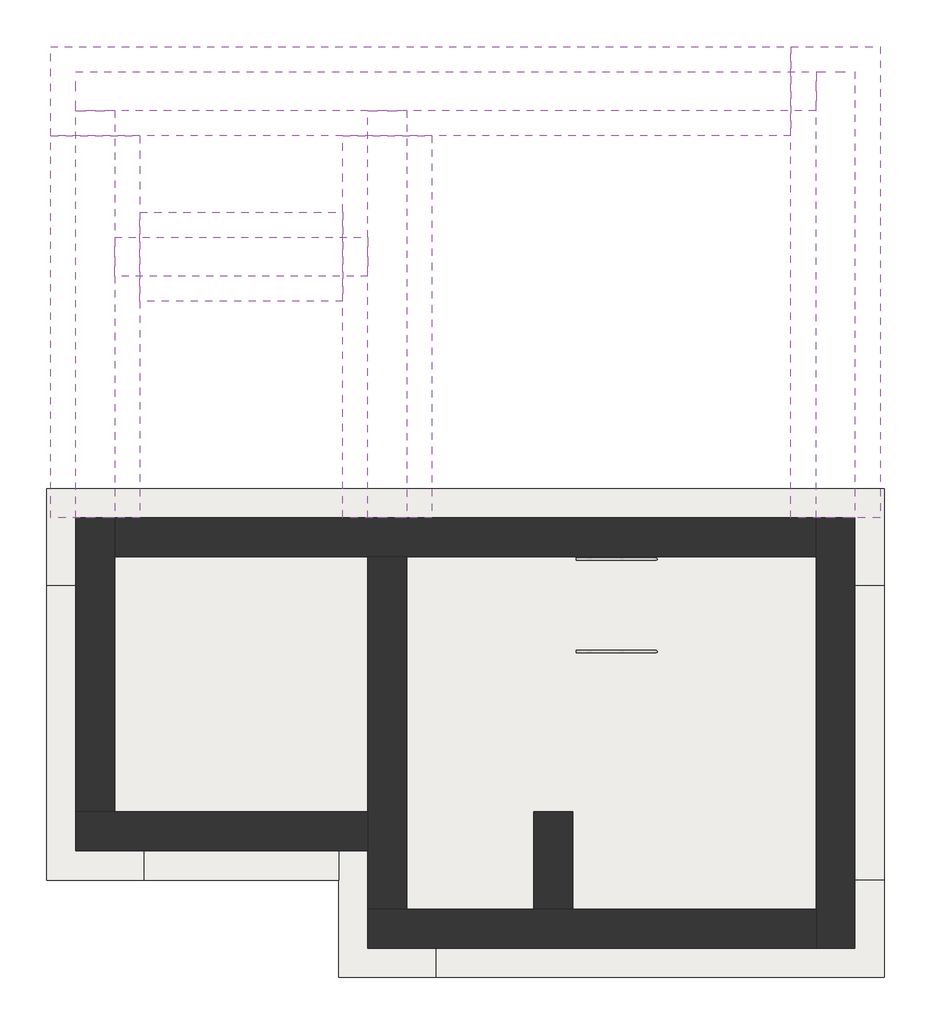
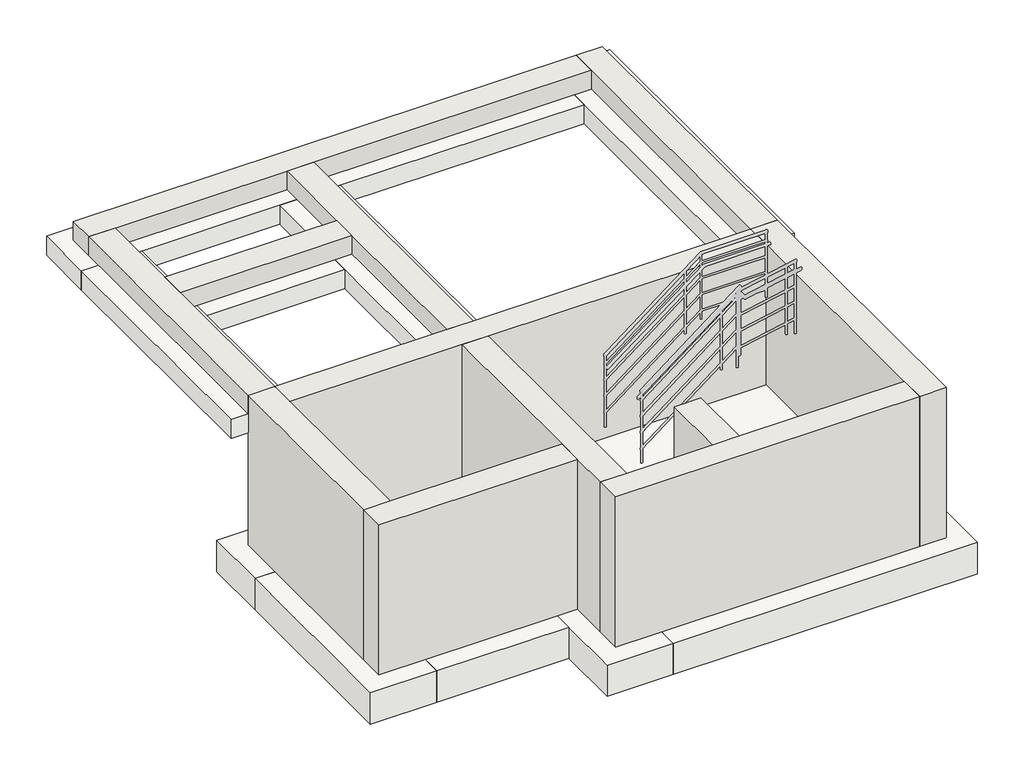
# One storey, part 1 of 2: 12 footings, 12 walls, 1 slab.
"""IFC4 building model written with IfcOpenShell, lengths in millimetres."""

import ifcopenshell
import ifcopenshell.guid

model = None  # the IFC model being written
_history = None  # IfcOwnerHistory: only IFC2X3 demands one
_inside = {}  # id of a spatial element -> (the spatial element, [elements in it])
_under = {}  # id of a project, library or spatial element -> (it, [spatial elements below it])
_declared = {}  # id of a project -> (the project, [libraries it declares])
_typed = {}  # id of a type object -> (the type object, [elements of that type])
_made_of = {}  # id of a material, layer set ... -> (it, [elements and type objects made of it])


def new_model(schema):
    """Start an empty IFC model of exactly this schema.

    Asked for "IFC4X3", IfcOpenShell would pick the latest addendum, in which some entities
    have other attributes; the version numbers below select the first issue.
    IFC2X3 requires an IfcOwnerHistory on every rooted entity: one is made here for all.
    """
    global model, _history
    if schema == "IFC4X3":
        model = ifcopenshell.file(schema_version=(4, 3, 0, 0))
    else:
        model = ifcopenshell.file(schema=schema)
    _inside.clear()
    _under.clear()
    _declared.clear()
    _typed.clear()
    _made_of.clear()
    _history = None
    if model.schema == "IFC2X3":
        org = make("IfcOrganization", Name="unknown")
        user = make(
            "IfcPersonAndOrganization",
            ThePerson=make("IfcPerson", FamilyName="unknown"),
            TheOrganization=org,
        )
        app = make(
            "IfcApplication",
            ApplicationDeveloper=org,
            Version="unknown",
            ApplicationFullName="unknown",
            ApplicationIdentifier="unknown",
        )
        _history = make(
            "IfcOwnerHistory",
            OwningUser=user,
            OwningApplication=app,
            ChangeAction="ADDED",
            CreationDate=0,
        )
    return model


def make(cls, **values):
    """One entity of the class cls with the attributes given. An attribute that is None is left unset."""
    return model.create_entity(
        cls, **{name: value for name, value in values.items() if value is not None}
    )


def rooted(cls, **values):
    """An entity with a GlobalId (a new one), such as an element, a storey or a relation."""
    return make(cls, GlobalId=ifcopenshell.guid.new(), OwnerHistory=_history, **values)


def si_unit(unit_type, name, prefix=None):
    """IfcSIUnit, for example si_unit("LENGTHUNIT", "METRE", prefix="MILLI")."""
    return make("IfcSIUnit", UnitType=unit_type, Prefix=prefix, Name=name)


def assignment(units):
    """IfcUnitAssignment: the units of a project."""
    return None if units is None else make("IfcUnitAssignment", Units=units)


def point(xyz):
    """IfcCartesianPoint."""
    return None if xyz is None else make("IfcCartesianPoint", Coordinates=xyz)


def direction(xyz):
    """IfcDirection."""
    return None if xyz is None else make("IfcDirection", DirectionRatios=xyz)


def frame(location, z_axis=None, x_axis=None):
    """IfcAxis2Placement3D, a coordinate frame: its origin and axes. An axis left out is left unset."""
    return make(
        "IfcAxis2Placement3D",
        Location=point(location),
        Axis=direction(z_axis),
        RefDirection=direction(x_axis),
    )


def origin():
    """The frame at (0, 0, 0) with its axes left unset."""
    return frame((0.0, 0.0, 0.0))


def place(relative_to, where):
    """IfcLocalPlacement: puts the frame where relative to a parent placement (None: the world)."""
    return make(
        "IfcLocalPlacement", PlacementRelTo=relative_to, RelativePlacement=where
    )


def context(
    kind, dimensions, precision=None, world=None, true_north=None, identifier=None
):
    """IfcGeometricRepresentationContext, for example the 3D "Model" context."""
    return make(
        "IfcGeometricRepresentationContext",
        ContextIdentifier=identifier,
        ContextType=kind,
        CoordinateSpaceDimension=dimensions,
        Precision=precision,
        WorldCoordinateSystem=world,
        TrueNorth=true_north,
    )


def project(units=None, contexts=None):
    """IfcProject with its units and contexts."""
    return rooted(
        "IfcProject",
        Name="project",
        RepresentationContexts=contexts,
        UnitsInContext=assignment(units),
    )


def spatial(cls, under=None, at=None, **own):
    """A site, building, storey or space (cls), placed at a placement, below another one or the project."""
    s = rooted(cls, ObjectPlacement=at, **own)
    if under is not None:
        _under.setdefault(under.id(), (under, []))[1].append(s)
    return s


def polyline(points):
    """IfcPolyline through the points."""
    return make("IfcPolyline", Points=[point(p) for p in points])


def outline(outer, holes=None, kind="AREA"):
    """IfcArbitraryClosedProfileDef: a profile drawn as a closed curve; with holes, ...WithVoids."""
    if holes is None:
        return make("IfcArbitraryClosedProfileDef", ProfileType=kind, OuterCurve=outer)
    return make(
        "IfcArbitraryProfileDefWithVoids",
        ProfileType=kind,
        OuterCurve=outer,
        InnerCurves=holes,
    )


def extrude(swept, where, along, depth):
    """IfcExtrudedAreaSolid: the profile swept, set in the frame where, extruded along a direction by depth."""
    return make(
        "IfcExtrudedAreaSolid",
        SweptArea=swept,
        Position=where,
        ExtrudedDirection=direction(along),
        Depth=depth,
    )


def faces_of(points, faces, orient=None, outer=None):
    """IfcFace entities. A face is a list of loops; a loop is a list of indices into points, from 0.

    orient and outer hold one flag for each loop. By default every Orientation is true, the
    first loop of a face is its IfcFaceOuterBound and the others are IfcFaceBound.
    """
    made = []
    for i, loops in enumerate(faces):
        bounds = []
        for j, loop in enumerate(loops):
            is_outer = j == 0 if outer is None else outer[i][j]
            bounds.append(
                make(
                    "IfcFaceOuterBound" if is_outer else "IfcFaceBound",
                    Bound=make("IfcPolyLoop", Polygon=[points[k] for k in loop]),
                    Orientation=True if orient is None else orient[i][j],
                )
            )
        made.append(make("IfcFace", Bounds=bounds))
    return made


def faceted_brep(points, faces, orient=None, outer=None, voids=None):
    """IfcFacetedBrep: a solid bounded by flat faces; with voids (closed shells), ...WithVoids."""
    shared = [point(p) for p in points]
    hull = make("IfcClosedShell", CfsFaces=faces_of(shared, faces, orient, outer))
    if voids is None:
        return make("IfcFacetedBrep", Outer=hull)
    return make(
        "IfcFacetedBrepWithVoids",
        Outer=hull,
        Voids=[
            make(cls, CfsFaces=faces_of(shared, fs, o, b)) for cls, fs, o, b in voids
        ],
    )


def shape(context_of_items, identifier, shape_type, items):
    """IfcShapeRepresentation: the items that make up one representation, for example the "Body"."""
    return make(
        "IfcShapeRepresentation",
        ContextOfItems=context_of_items,
        RepresentationIdentifier=identifier,
        RepresentationType=shape_type,
        Items=items,
    )


def made_of(thing, what):
    """Note that an element or type object is made of a material, layer set ...; save() writes the relation."""
    if what is not None:
        _made_of.setdefault(what.id(), (what, []))[1].append(thing)
    return thing


def element(
    cls,
    number,
    at=None,
    inside=None,
    cuts=None,
    type_object=None,
    material=None,
    context=None,
    identifier="Body",
    shape_type=None,
    held_by="IfcProductDefinitionShape",
    body=None,
    shapes=None,
    **own,
):
    """One element of the class cls, such as IfcWall. Its Tag is "e" and its number.

    at: its placement. inside: the storey or other place that contains it. cuts: it is an
    opening in that element (IfcRelVoidsElement). A single representation is given by context,
    identifier, shape_type and body (its items); several are given by shapes. held_by: the class
    of the entity that holds the representations. save() writes the other relations.
    """
    e = rooted(cls, Tag="e%d" % number, ObjectPlacement=at, **own)
    if body is not None:
        shapes = [shape(context, identifier, shape_type, body)]
    if shapes is not None:
        e.Representation = make(held_by, Representations=shapes)
    if inside is not None:
        _inside.setdefault(inside.id(), (inside, []))[1].append(e)
    if cuts is not None:
        rooted(
            "IfcRelVoidsElement", RelatingBuildingElement=cuts, RelatedOpeningElement=e
        )
    if type_object is not None:
        _typed.setdefault(type_object.id(), (type_object, []))[1].append(e)
    return made_of(e, material)


def aggregate(whole, parts):
    """IfcRelAggregates: a whole, such as a stair, and the parts it consists of."""
    return rooted("IfcRelAggregates", RelatingObject=whole, RelatedObjects=parts)


def save(model, path):
    """Write the relations noted so far, then the file.

    IfcRelAggregates (storeys below a building ...), IfcRelContainedInSpatialStructure (elements
    in a storey), IfcRelDefinesByType, IfcRelAssociatesMaterial and IfcRelDeclares: one each for
    every whole, place, type object, material and project.
    """
    for whole, parts in _under.values():
        aggregate(whole, parts)
    for where, things in _inside.values():
        rooted(
            "IfcRelContainedInSpatialStructure",
            RelatedElements=things,
            RelatingStructure=where,
        )
    for kind, things in _typed.values():
        rooted("IfcRelDefinesByType", RelatedObjects=things, RelatingType=kind)
    for what, things in _made_of.values():
        rooted("IfcRelAssociatesMaterial", RelatedObjects=things, RelatingMaterial=what)
    for by, libraries in _declared.values():
        rooted("IfcRelDeclares", RelatingContext=by, RelatedDefinitions=libraries)
    model.write(path)


model = new_model("IFC4")

# Units and contexts
model_context = context("Model", 3, world=origin())
ifc_project = project(units=[si_unit("LENGTHUNIT", "METRE", prefix="MILLI")], contexts=[model_context])

# Site, building, storey
site = spatial("IfcSite", under=ifc_project)
building = spatial("IfcBuilding", under=site)
storey = spatial("IfcBuildingStorey", under=building, Elevation=-2400.0)

# Footings
placement = place(None, origin())
element("IfcFooting", 1, at=placement, inside=storey, context=model_context, shape_type="Brep", body=[
    faceted_brep([(-6883.694566, 1245.0965613, -2400.0), (-5883.694566, 1245.0965613, -2400.0), (-3883.694566, 1245.0965613, -2400.0), (-2883.694566, 1245.0965613, -2400.0), (716.305434, 1245.0965613, -2400.0), (1716.305434, 1245.0965613, -2400.0), (1716.305434, 2245.0965613, -2400.0), (-6883.694566, 2245.0965613, -2400.0), (-6883.694566, 2245.0965613, -2900.0), (1716.305434, 2245.0965613, -2900.0), (-6883.694566, 1245.0965613, -2900.0), (1716.305434, 1245.0965613, -2900.0), (716.305434, 1245.0965613, -2900.0), (-2883.694566, 1245.0965613, -2900.0), (-3883.694566, 1245.0965613, -2900.0), (-5883.694566, 1245.0965613, -2900.0)], [[[0, 1, 2, 3, 4, 5, 6, 7]], [[8, 7, 6, 9]], [[10, 8, 9, 11, 12, 13, 14, 15]], [[0, 10, 15, 14, 13, 12, 11, 5, 4, 3, 2, 1]], [[0, 7, 8, 10]], [[6, 5, 11, 9]]]),
])
element("IfcFooting", 2, at=placement, inside=storey, context=model_context, shape_type="Brep", body=[
    faceted_brep([(-6883.694566, -1774.9034387, -2400.0), (-5883.694566, -1774.9034387, -2400.0), (-5883.694566, -774.9034387, -2400.0), (-5883.694566, 1245.0965613, -2400.0), (-6883.694566, 1245.0965613, -2400.0), (-6883.694566, -1774.9034387, -2900.0), (-6883.694566, 1245.0965613, -2900.0), (-5883.694566, -1774.9034387, -2900.0), (-5883.694566, 1245.0965613, -2900.0), (-5883.694566, -774.9034387, -2900.0)], [[[0, 1, 2, 3, 4]], [[5, 0, 4, 6]], [[7, 5, 6, 8, 9]], [[1, 7, 9, 8, 3, 2]], [[4, 3, 8, 6]], [[1, 0, 5, 7]]]),
])
element("IfcFooting", 3, at=placement, inside=storey, context=model_context, shape_type="SweptSolid", body=[
    extrude(outline(polyline([(-3883.694566, -774.9034387), (-3883.694566, -1774.9034387), (-5883.694566, -1774.9034387), (-5883.694566, -774.9034387), (-3883.694566, -774.9034387)])), frame((0.0, 0.0, -2900.0), z_axis=(0.0, 0.0, 1.0), x_axis=(1.0, 0.0, 0.0)), (0.0, 0.0, 1.0), 500.0),
])
element("IfcFooting", 4, at=placement, inside=storey, context=model_context, shape_type="Brep", body=[
    faceted_brep([(-3883.694566, 1245.0965613, -2400.0), (-3883.694566, -774.9034387, -2400.0), (-3883.694566, -1774.9034387, -2400.0), (-3883.694566, -2774.9034387, -2400.0), (-2883.694566, -2774.9034387, -2400.0), (-2883.694566, -1774.9034387, -2400.0), (-2883.694566, 1245.0965613, -2400.0), (-2883.694566, 1245.0965613, -2900.0), (-2883.694566, -2774.9034387, -2900.0), (-2883.694566, -1774.9034387, -2900.0), (-3883.694566, 1245.0965613, -2900.0), (-3883.694566, -2774.9034387, -2900.0), (-3883.694566, -1774.9034387, -2900.0), (-3883.694566, -774.9034387, -2900.0)], [[[0, 1, 2, 3, 4, 5, 6]], [[7, 6, 5, 4, 8, 9]], [[10, 7, 9, 8, 11, 12, 13]], [[0, 10, 13, 12, 11, 3, 2, 1]], [[0, 6, 7, 10]], [[4, 3, 11, 8]]]),
])
element("IfcFooting", 5, at=placement, inside=storey, context=model_context, shape_type="Brep", body=[
    faceted_brep([(1716.305434, -2774.9034387, -2400.0), (1716.305434, -1774.9034387, -2400.0), (716.305434, -1774.9034387, -2400.0), (-1183.694566, -1774.9034387, -2400.0), (-2183.694566, -1774.9034387, -2400.0), (-2883.694566, -1774.9034387, -2400.0), (-2883.694566, -2774.9034387, -2400.0), (1716.305434, -2774.9034387, -2900.0), (-2883.694566, -2774.9034387, -2900.0), (1716.305434, -1774.9034387, -2900.0), (-2883.694566, -1774.9034387, -2900.0), (-2183.694566, -1774.9034387, -2900.0), (-1183.694566, -1774.9034387, -2900.0), (716.305434, -1774.9034387, -2900.0)], [[[0, 1, 2, 3, 4, 5, 6]], [[7, 0, 6, 8]], [[9, 7, 8, 10, 11, 12, 13]], [[1, 9, 13, 12, 11, 10, 5, 4, 3, 2]], [[1, 0, 7, 9]], [[6, 5, 10, 8]]]),
])
element("IfcFooting", 6, at=placement, inside=storey, context=model_context, shape_type="SweptSolid", body=[
    extrude(outline(polyline([(-1183.694566, -1774.9034387), (-2183.694566, -1774.9034387), (-2183.694566, -1074.9034387), (-1183.694566, -1074.9034387), (-1183.694566, -1774.9034387)])), frame((0.0, 0.0, -2900.0), z_axis=(0.0, 0.0, 1.0), x_axis=(1.0, 0.0, 0.0)), (0.0, 0.0, 1.0), 500.0),
])
element("IfcFooting", 7, at=placement, inside=storey, context=model_context, shape_type="SweptSolid", body=[
    extrude(outline(polyline([(716.305434, 1245.0965613), (1716.305434, 1245.0965613), (1716.305434, -1774.9034387), (716.305434, -1774.9034387), (716.305434, 1245.0965613)])), frame((0.0, 0.0, -2900.0), z_axis=(0.0, 0.0, 1.0), x_axis=(1.0, 0.0, 0.0)), (0.0, 0.0, 1.0), 500.0),
])
element("IfcFooting", 8, ObjectType="Bearing Footing - 36\" x 12\"", at=placement, inside=storey, context=model_context, shape_type="Brep", body=[
    faceted_brep([(1673.505434, 1945.0965613, -300.0), (759.105434, 1945.0965613, -300.0), (759.105434, 1945.0965613, -604.8), (1673.505434, 1945.0965613, -604.8), (1673.505434, 6782.2965613, -300.0), (759.105434, 6782.2965613, -300.0), (759.105434, 5867.8965613, -300.0), (759.105434, 6782.2965613, -604.8), (759.105434, 5867.8965613, -604.8), (1673.505434, 6782.2965613, -604.8)], [[[0, 1, 2, 3]], [[0, 4, 5, 6, 1]], [[2, 1, 6, 5, 7, 8]], [[3, 2, 8, 7, 9]], [[0, 3, 9, 4]], [[5, 4, 9, 7]]]),
])
element("IfcFooting", 9, ObjectType="Bearing Footing - 36\" x 12\"", at=placement, inside=storey, context=model_context, shape_type="Brep", body=[
    faceted_brep([(-6840.894566, 6782.2965613, -300.0), (-6840.894566, 5867.8965613, -300.0), (-5926.494566, 5867.8965613, -300.0), (-3840.894566, 5867.8965613, -300.0), (-2926.494566, 5867.8965613, -300.0), (759.105434, 5867.8965613, -300.0), (759.105434, 6782.2965613, -300.0), (-6840.894566, 5867.8965613, -604.8), (-5926.494566, 5867.8965613, -604.8), (-3840.894566, 5867.8965613, -604.8), (-2926.494566, 5867.8965613, -604.8), (759.105434, 5867.8965613, -604.8), (-6840.894566, 6782.2965613, -604.8), (759.105434, 6782.2965613, -604.8)], [[[0, 1, 2, 3, 4, 5, 6]], [[1, 7, 8, 9, 10, 11, 5, 4, 3, 2]], [[7, 12, 13, 11, 10, 9, 8]], [[12, 0, 6, 13]], [[1, 0, 12, 7]], [[6, 5, 11, 13]]]),
])
element("IfcFooting", 10, ObjectType="Bearing Footing - 36\" x 12\"", at=placement, inside=storey, context=model_context, shape_type="Brep", body=[
    faceted_brep([(-5926.494566, 1945.0965613, -604.8), (-5926.494566, 1945.0965613, -300.0), (-6840.894566, 1945.0965613, -300.0), (-6840.894566, 1945.0965613, -604.8), (-5926.494566, 4167.8965613, -300.0), (-5926.494566, 5082.2965613, -300.0), (-5926.494566, 5867.8965613, -300.0), (-6840.894566, 5867.8965613, -300.0), (-5926.494566, 4167.8965613, -604.8), (-5926.494566, 5082.2965613, -604.8), (-5926.494566, 5867.8965613, -604.8), (-6840.894566, 5867.8965613, -604.8)], [[[0, 1, 2, 3]], [[2, 1, 4, 5, 6, 7]], [[1, 0, 8, 9, 10, 6, 5, 4]], [[0, 3, 11, 10, 9, 8]], [[3, 2, 7, 11]], [[7, 6, 10, 11]]]),
])
element("IfcFooting", 11, ObjectType="Bearing Footing - 36\" x 12\"", at=placement, inside=storey, context=model_context, shape_type="Brep", body=[
    faceted_brep([(-2926.494566, 1945.0965613, -604.8), (-2926.494566, 1945.0965613, -300.0), (-3840.894566, 1945.0965613, -300.0), (-3840.894566, 1945.0965613, -604.8), (-2926.494566, 5867.8965613, -300.0), (-3840.894566, 5867.8965613, -300.0), (-3840.894566, 5082.2965613, -300.0), (-3840.894566, 4167.8965613, -300.0), (-2926.494566, 5867.8965613, -604.8), (-3840.894566, 4167.8965613, -604.8), (-3840.894566, 5082.2965613, -604.8), (-3840.894566, 5867.8965613, -604.8)], [[[0, 1, 2, 3]], [[2, 1, 4, 5, 6, 7]], [[1, 0, 8, 4]], [[0, 3, 9, 10, 11, 8]], [[3, 2, 7, 6, 5, 11, 10, 9]], [[5, 4, 8, 11]]]),
])
element("IfcFooting", 12, ObjectType="Bearing Footing - 36\" x 12\"", at=placement, inside=storey, context=model_context, shape_type="SweptSolid", body=[
    extrude(outline(polyline([(-3840.894566, 5082.2965613), (-3840.894566, 4167.8965613), (-5926.494566, 4167.8965613), (-5926.494566, 5082.2965613), (-3840.894566, 5082.2965613)])), frame((0.0, 0.0, -604.8), z_axis=(0.0, 0.0, 1.0), x_axis=(1.0, 0.0, 0.0)), (0.0, 0.0, 1.0), 304.8),
])

# Slab
element("IfcSlab", 13, at=placement, inside=storey, context=model_context, shape_type="SweptSolid", body=[
    extrude(outline(polyline([(-3583.694566, 1545.0965613), (-3583.694566, -1074.9034387), (-6183.694566, -1074.9034387), (-6183.694566, 1545.0965613), (-3583.694566, 1545.0965613)])), frame((0.0, 0.0, -2400.0), z_axis=(0.0, 0.0, 1.0), x_axis=(1.0, 0.0, 0.0)), (0.0, 0.0, 1.0), 150.0),
    extrude(outline(polyline([(1016.305434, 1545.0965613), (1016.305434, -2074.9034387), (-1483.694566, -2074.9034387), (-1483.694566, -1074.9034387), (-1883.694566, -1074.9034387), (-1883.694566, -2074.9034387), (-3183.694566, -2074.9034387), (-3183.694566, 1545.0965613), (1016.305434, 1545.0965613)])), frame((0.0, 0.0, -2400.0), z_axis=(0.0, 0.0, 1.0), x_axis=(1.0, 0.0, 0.0)), (0.0, 0.0, 1.0), 150.0),
])

# Walls
element("IfcWall", 14, at=placement, inside=storey, context=model_context, shape_type="Brep", body=[
    faceted_brep([(1016.305434, 1945.0965613, 0.0), (1016.305434, 1945.0965613, -300.0), (1016.305434, 1945.0965613, -2400.0), (1016.305434, 1545.0965613, -2400.0), (1016.305434, -2074.9034387, -2400.0), (1016.305434, -2474.9034387, -2400.0), (1016.305434, -2474.9034387, 0.0), (1016.305434, -2074.9034387, 0.0), (1016.305434, 1545.0965613, 0.0), (1416.305434, 1945.0965613, -2400.0), (1416.305434, 1945.0965613, -300.0), (1416.305434, 1945.0965613, 0.0), (1416.305434, -2474.9034387, 0.0), (1416.305434, -2474.9034387, -2400.0)], [[[0, 1, 2, 3, 4, 5, 6, 7, 8]], [[9, 10, 11, 12, 13]], [[5, 4, 3, 2, 9, 13]], [[0, 8, 7, 6, 12, 11]], [[6, 5, 13, 12]], [[0, 11, 10, 9, 2, 1]]]),
])
element("IfcWall", 15, at=placement, inside=storey, context=model_context, shape_type="Brep", body=[
    faceted_brep([(1016.305434, -2074.9034387, -2400.0), (-1483.694566, -2074.9034387, -2400.0), (-1883.694566, -2074.9034387, -2400.0), (-3183.694566, -2074.9034387, -2400.0), (-3583.694566, -2074.9034387, -2400.0), (-3583.694566, -2074.9034387, 0.0), (-3183.694566, -2074.9034387, 0.0), (-1883.694566, -2074.9034387, 0.0), (-1483.694566, -2074.9034387, 0.0), (1016.305434, -2074.9034387, 0.0), (1016.305434, -2474.9034387, -2400.0), (1016.305434, -2474.9034387, 0.0), (-3583.694566, -2474.9034387, 0.0), (-3583.694566, -2474.9034387, -2400.0)], [[[0, 1, 2, 3, 4, 5, 6, 7, 8, 9]], [[10, 11, 12, 13]], [[4, 3, 2, 1, 0, 10, 13]], [[9, 8, 7, 6, 5, 12, 11]], [[0, 9, 11, 10]], [[5, 4, 13, 12]]]),
])
element("IfcWall", 16, at=placement, inside=storey, context=model_context, shape_type="Brep", body=[
    faceted_brep([(-3583.694566, -1074.9034387, -2400.0), (-6183.694566, -1074.9034387, -2400.0), (-6583.694566, -1074.9034387, -2400.0), (-6583.694566, -1074.9034387, 0.0), (-6183.694566, -1074.9034387, 0.0), (-3583.694566, -1074.9034387, 0.0), (-3583.694566, -1474.9034387, -2400.0), (-3583.694566, -1474.9034387, 0.0), (-6583.694566, -1474.9034387, 0.0), (-6583.694566, -1474.9034387, -2400.0)], [[[0, 1, 2, 3, 4, 5]], [[6, 7, 8, 9]], [[2, 1, 0, 6, 9]], [[5, 4, 3, 8, 7]], [[3, 2, 9, 8]], [[0, 5, 7, 6]]]),
])
element("IfcWall", 17, at=placement, inside=storey, context=model_context, shape_type="Brep", body=[
    faceted_brep([(-6183.694566, -1074.9034387, -2400.0), (-6183.694566, 1545.0965613, -2400.0), (-6183.694566, 1945.0965613, -2400.0), (-6183.694566, 1945.0965613, -300.0), (-6183.694566, 1945.0965613, 0.0), (-6183.694566, 1545.0965613, 0.0), (-6183.694566, -1074.9034387, 0.0), (-6583.694566, -1074.9034387, -2400.0), (-6583.694566, -1074.9034387, 0.0), (-6583.694566, 1945.0965613, 0.0), (-6583.694566, 1945.0965613, -300.0), (-6583.694566, 1945.0965613, -2400.0)], [[[0, 1, 2, 3, 4, 5, 6]], [[7, 8, 9, 10, 11]], [[2, 1, 0, 7, 11]], [[6, 5, 4, 9, 8]], [[0, 6, 8, 7]], [[2, 11, 10, 9, 4, 3]]]),
])
element("IfcWall", 18, at=placement, inside=storey, context=model_context, shape_type="Brep", body=[
    faceted_brep([(-3583.694566, 1545.0965613, -2400.0), (-3583.694566, -1074.9034387, -2400.0), (-3583.694566, -1474.9034387, -2400.0), (-3583.694566, -2074.9034387, -2400.0), (-3583.694566, -2074.9034387, 0.0), (-3583.694566, -1474.9034387, 0.0), (-3583.694566, -1074.9034387, 0.0), (-3583.694566, 1545.0965613, 0.0), (-3183.694566, 1545.0965613, -2400.0), (-3183.694566, 1545.0965613, 0.0), (-3183.694566, -2074.9034387, 0.0), (-3183.694566, -2074.9034387, -2400.0)], [[[0, 1, 2, 3, 4, 5, 6, 7]], [[8, 9, 10, 11]], [[3, 2, 1, 0, 8, 11]], [[7, 6, 5, 4, 10, 9]], [[0, 7, 9, 8]], [[4, 3, 11, 10]]]),
])
element("IfcWall", 19, at=placement, inside=storey, context=model_context, shape_type="Brep", body=[
    faceted_brep([(-6183.694566, 1545.0965613, 0.0), (-6183.694566, 1545.0965613, -2400.0), (-3583.694566, 1545.0965613, -2400.0), (-3183.694566, 1545.0965613, -2400.0), (1016.305434, 1545.0965613, -2400.0), (1016.305434, 1545.0965613, 0.0), (-3183.694566, 1545.0965613, 0.0), (-3583.694566, 1545.0965613, 0.0), (-6183.694566, 1945.0965613, -2400.0), (-6183.694566, 1945.0965613, 0.0), (-3583.694566, 1945.0965613, 0.0), (-3183.694566, 1945.0965613, 0.0), (1016.305434, 1945.0965613, 0.0), (1016.305434, 1945.0965613, -2400.0)], [[[0, 1, 2, 3, 4, 5, 6, 7]], [[8, 9, 10, 11, 12, 13]], [[4, 3, 2, 1, 8, 13]], [[0, 7, 6, 5, 12, 11, 10, 9]], [[4, 13, 12, 5]], [[0, 9, 8, 1]]]),
])
element("IfcWall", 20, at=placement, inside=storey, context=model_context, shape_type="SweptSolid", body=[
    extrude(outline(polyline([(-1483.694566, -1074.9034387), (-1483.694566, -2074.9034387), (-1883.694566, -2074.9034387), (-1883.694566, -1074.9034387), (-1483.694566, -1074.9034387)])), frame((0.0, 0.0, -2400.0), z_axis=(0.0, 0.0, 1.0), x_axis=(1.0, 0.0, 0.0)), (0.0, 0.0, 1.0), 2400.0),
])
element("IfcWall", 21, at=placement, inside=storey, context=model_context, shape_type="Brep", body=[
    faceted_brep([(1416.305434, 1945.0965613, -300.0), (1416.305434, 6525.0965613, -300.0), (1416.305434, 6525.0965613, 0.0), (1416.305434, 1945.0965613, 0.0), (1016.305434, 1945.0965613, -300.0), (1016.305434, 1945.0965613, 0.0), (1016.305434, 6125.0965613, 0.0), (1016.305434, 6525.0965613, 0.0), (1016.305434, 6525.0965613, -300.0), (1016.305434, 6125.0965613, -300.0)], [[[0, 1, 2, 3]], [[4, 5, 6, 7, 8, 9]], [[1, 0, 4, 9, 8]], [[3, 2, 7, 6, 5]], [[0, 3, 5, 4]], [[2, 1, 8, 7]]]),
])
element("IfcWall", 22, at=placement, inside=storey, context=model_context, shape_type="Brep", body=[
    faceted_brep([(1016.305434, 6525.0965613, -300.0), (-6583.694566, 6525.0965613, -300.0), (-6583.694566, 6525.0965613, 0.0), (1016.305434, 6525.0965613, 0.0), (1016.305434, 6125.0965613, -300.0), (1016.305434, 6125.0965613, 0.0), (-3183.694566, 6125.0965613, 0.0), (-3583.694566, 6125.0965613, 0.0), (-6183.694566, 6125.0965613, 0.0), (-6583.694566, 6125.0965613, 0.0), (-6583.694566, 6125.0965613, -300.0), (-6183.694566, 6125.0965613, -300.0), (-3583.694566, 6125.0965613, -300.0), (-3183.694566, 6125.0965613, -300.0)], [[[0, 1, 2, 3]], [[4, 5, 6, 7, 8, 9, 10, 11, 12, 13]], [[1, 0, 4, 13, 12, 11, 10]], [[3, 2, 9, 8, 7, 6, 5]], [[0, 3, 5, 4]], [[2, 1, 10, 9]]]),
])
element("IfcWall", 23, at=placement, inside=storey, context=model_context, shape_type="Brep", body=[
    faceted_brep([(-6583.694566, 6125.0965613, -300.0), (-6583.694566, 1945.0965613, -300.0), (-6583.694566, 1945.0965613, 0.0), (-6583.694566, 6125.0965613, 0.0), (-6183.694566, 6125.0965613, -300.0), (-6183.694566, 6125.0965613, 0.0), (-6183.694566, 4825.0965613, 0.0), (-6183.694566, 4425.0965613, 0.0), (-6183.694566, 1945.0965613, 0.0), (-6183.694566, 1945.0965613, -300.0), (-6183.694566, 4425.0965613, -300.0), (-6183.694566, 4825.0965613, -300.0)], [[[0, 1, 2, 3]], [[4, 5, 6, 7, 8, 9, 10, 11]], [[1, 0, 4, 11, 10, 9]], [[3, 2, 8, 7, 6, 5]], [[0, 3, 5, 4]], [[2, 1, 9, 8]]]),
])
element("IfcWall", 24, at=placement, inside=storey, context=model_context, shape_type="Brep", body=[
    faceted_brep([(-3583.694566, 6125.0965613, -300.0), (-3583.694566, 4825.0965613, -300.0), (-3583.694566, 4425.0965613, -300.0), (-3583.694566, 1945.0965613, -300.0), (-3583.694566, 1945.0965613, 0.0), (-3583.694566, 4425.0965613, 0.0), (-3583.694566, 4825.0965613, 0.0), (-3583.694566, 6125.0965613, 0.0), (-3183.694566, 6125.0965613, -300.0), (-3183.694566, 6125.0965613, 0.0), (-3183.694566, 1945.0965613, 0.0), (-3183.694566, 1945.0965613, -300.0)], [[[0, 1, 2, 3, 4, 5, 6, 7]], [[8, 9, 10, 11]], [[3, 2, 1, 0, 8, 11]], [[7, 6, 5, 4, 10, 9]], [[4, 3, 11, 10]], [[0, 7, 9, 8]]]),
])
element("IfcWall", 25, at=placement, inside=storey, context=model_context, shape_type="SweptSolid", body=[
    extrude(outline(polyline([(-3583.694566, 4425.0965613), (-6183.694566, 4425.0965613), (-6183.694566, 4825.0965613), (-3583.694566, 4825.0965613), (-3583.694566, 4425.0965613)])), frame((0.0, 0.0, -300.0), z_axis=(0.0, 0.0, 1.0), x_axis=(1.0, 0.0, 0.0)), (0.0, 0.0, 1.0), 300.0),
])

save(model, "model.ifc")
